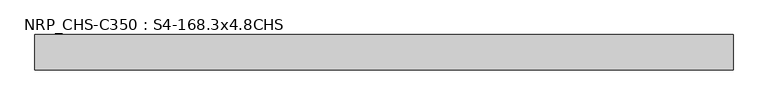
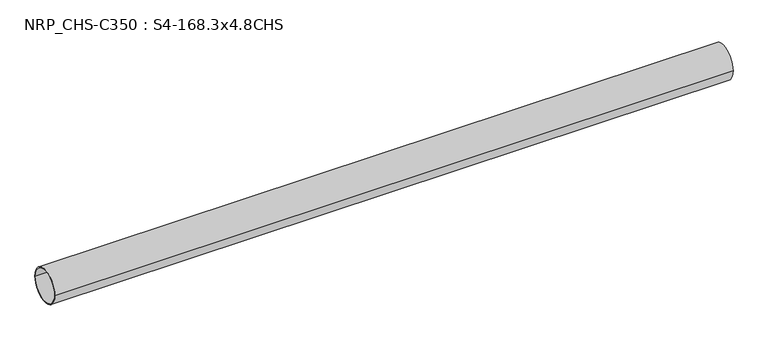
"""IFC4 building model written with IfcOpenShell, lengths in millimetres: beam geometry, NRP_CHS-C350 : S4-168.3x4.8CHS."""

import ifcopenshell
import ifcopenshell.guid

model = None  # the IFC model being written
_history = None  # IfcOwnerHistory: only IFC2X3 demands one
_inside = {}  # id of a spatial element -> (the spatial element, [elements in it])
_under = {}  # id of a project, library or spatial element -> (it, [spatial elements below it])
_declared = {}  # id of a project -> (the project, [libraries it declares])
_typed = {}  # id of a type object -> (the type object, [elements of that type])
_made_of = {}  # id of a material, layer set ... -> (it, [elements and type objects made of it])


def new_model(schema):
    """Start an empty IFC model of exactly this schema.

    Asked for "IFC4X3", IfcOpenShell would pick the latest addendum, in which some entities
    have other attributes; the version numbers below select the first issue.
    IFC2X3 requires an IfcOwnerHistory on every rooted entity: one is made here for all.
    """
    global model, _history
    if schema == "IFC4X3":
        model = ifcopenshell.file(schema_version=(4, 3, 0, 0))
    else:
        model = ifcopenshell.file(schema=schema)
    _inside.clear()
    _under.clear()
    _declared.clear()
    _typed.clear()
    _made_of.clear()
    _history = None
    if model.schema == "IFC2X3":
        org = make("IfcOrganization", Name="unknown")
        user = make(
            "IfcPersonAndOrganization",
            ThePerson=make("IfcPerson", FamilyName="unknown"),
            TheOrganization=org,
        )
        app = make(
            "IfcApplication",
            ApplicationDeveloper=org,
            Version="unknown",
            ApplicationFullName="unknown",
            ApplicationIdentifier="unknown",
        )
        _history = make(
            "IfcOwnerHistory",
            OwningUser=user,
            OwningApplication=app,
            ChangeAction="ADDED",
            CreationDate=0,
        )
    return model


def make(cls, **values):
    """One entity of the class cls with the attributes given. An attribute that is None is left unset."""
    return model.create_entity(
        cls, **{name: value for name, value in values.items() if value is not None}
    )


def rooted(cls, **values):
    """An entity with a GlobalId (a new one), such as an element, a storey or a relation."""
    return make(cls, GlobalId=ifcopenshell.guid.new(), OwnerHistory=_history, **values)


def si_unit(unit_type, name, prefix=None):
    """IfcSIUnit, for example si_unit("LENGTHUNIT", "METRE", prefix="MILLI")."""
    return make("IfcSIUnit", UnitType=unit_type, Prefix=prefix, Name=name)


def assignment(units):
    """IfcUnitAssignment: the units of a project."""
    return None if units is None else make("IfcUnitAssignment", Units=units)


def point(xyz):
    """IfcCartesianPoint."""
    return None if xyz is None else make("IfcCartesianPoint", Coordinates=xyz)


def direction(xyz):
    """IfcDirection."""
    return None if xyz is None else make("IfcDirection", DirectionRatios=xyz)


def frame(location, z_axis=None, x_axis=None):
    """IfcAxis2Placement3D, a coordinate frame: its origin and axes. An axis left out is left unset."""
    return make(
        "IfcAxis2Placement3D",
        Location=point(location),
        Axis=direction(z_axis),
        RefDirection=direction(x_axis),
    )


def frame_2d(location, x_axis=None):
    """IfcAxis2Placement2D, a coordinate frame in the plane: its origin and x axis."""
    return make(
        "IfcAxis2Placement2D", Location=point(location), RefDirection=direction(x_axis)
    )


def origin():
    """The frame at (0, 0, 0) with its axes left unset."""
    return frame((0.0, 0.0, 0.0))


def origin_2d():
    """The frame at (0, 0) in the plane with its x axis left unset."""
    return frame_2d((0.0, 0.0))


def place(relative_to, where):
    """IfcLocalPlacement: puts the frame where relative to a parent placement (None: the world)."""
    return make(
        "IfcLocalPlacement", PlacementRelTo=relative_to, RelativePlacement=where
    )


def context(
    kind, dimensions, precision=None, world=None, true_north=None, identifier=None
):
    """IfcGeometricRepresentationContext, for example the 3D "Model" context."""
    return make(
        "IfcGeometricRepresentationContext",
        ContextIdentifier=identifier,
        ContextType=kind,
        CoordinateSpaceDimension=dimensions,
        Precision=precision,
        WorldCoordinateSystem=world,
        TrueNorth=true_north,
    )


def project(units=None, contexts=None):
    """IfcProject with its units and contexts."""
    return rooted(
        "IfcProject",
        Name="project",
        RepresentationContexts=contexts,
        UnitsInContext=assignment(units),
    )


def spatial(cls, under=None, at=None, **own):
    """A site, building, storey or space (cls), placed at a placement, below another one or the project."""
    s = rooted(cls, ObjectPlacement=at, **own)
    if under is not None:
        _under.setdefault(under.id(), (under, []))[1].append(s)
    return s


def circle_curve(where, radius):
    """IfcCircle in the frame where."""
    return make("IfcCircle", Position=where, Radius=radius)


def trimmed(basis, trim1, trim2, sense, master):
    """IfcTrimmedCurve: the piece of a basis curve between two trims."""
    return make(
        "IfcTrimmedCurve",
        BasisCurve=basis,
        Trim1=trim1,
        Trim2=trim2,
        SenseAgreement=sense,
        MasterRepresentation=master,
    )


def segment(curve, same_sense, transition):
    """IfcCompositeCurveSegment."""
    return make(
        "IfcCompositeCurveSegment",
        Transition=transition,
        SameSense=same_sense,
        ParentCurve=curve,
    )


def composite_curve(segments, self_intersect=None):
    """IfcCompositeCurve: segments joined end to end."""
    return make("IfcCompositeCurve", Segments=segments, SelfIntersect=self_intersect)


def outline(outer, holes=None, kind="AREA"):
    """IfcArbitraryClosedProfileDef: a profile drawn as a closed curve; with holes, ...WithVoids."""
    if holes is None:
        return make("IfcArbitraryClosedProfileDef", ProfileType=kind, OuterCurve=outer)
    return make(
        "IfcArbitraryProfileDefWithVoids",
        ProfileType=kind,
        OuterCurve=outer,
        InnerCurves=holes,
    )


def extrude(swept, where, along, depth):
    """IfcExtrudedAreaSolid: the profile swept, set in the frame where, extruded along a direction by depth."""
    return make(
        "IfcExtrudedAreaSolid",
        SweptArea=swept,
        Position=where,
        ExtrudedDirection=direction(along),
        Depth=depth,
    )


def shape(context_of_items, identifier, shape_type, items):
    """IfcShapeRepresentation: the items that make up one representation, for example the "Body"."""
    return make(
        "IfcShapeRepresentation",
        ContextOfItems=context_of_items,
        RepresentationIdentifier=identifier,
        RepresentationType=shape_type,
        Items=items,
    )


def source(mapping_origin, context_of_items, identifier, shape_type, items):
    """IfcRepresentationMap: a shape defined once, which mapped items show again and again."""
    return make(
        "IfcRepresentationMap",
        MappingOrigin=mapping_origin,
        MappedRepresentation=shape(context_of_items, identifier, shape_type, items),
    )


def transform(
    local_origin,
    x_axis=None,
    y_axis=None,
    z_axis=None,
    scale=None,
    scale2=None,
    scale3=None,
    uniform=True,
):
    """IfcCartesianTransformationOperator3D, or its non-uniform kind. x_axis, y_axis, z_axis: its Axis1, 2, 3."""
    if uniform:
        return make(
            "IfcCartesianTransformationOperator3D",
            Axis1=direction(x_axis),
            Axis2=direction(y_axis),
            LocalOrigin=point(local_origin),
            Scale=scale,
            Axis3=direction(z_axis),
        )
    return make(
        "IfcCartesianTransformationOperator3DnonUniform",
        Axis1=direction(x_axis),
        Axis2=direction(y_axis),
        LocalOrigin=point(local_origin),
        Scale=scale,
        Axis3=direction(z_axis),
        Scale2=scale2,
        Scale3=scale3,
    )


def mapped(mapping_source, mapping_target):
    """IfcMappedItem: shows the shape of a source again, moved by a transform."""
    return make(
        "IfcMappedItem", MappingSource=mapping_source, MappingTarget=mapping_target
    )


def made_of(thing, what):
    """Note that an element or type object is made of a material, layer set ...; save() writes the relation."""
    if what is not None:
        _made_of.setdefault(what.id(), (what, []))[1].append(thing)
    return thing


def element(
    cls,
    number,
    at=None,
    inside=None,
    cuts=None,
    type_object=None,
    material=None,
    context=None,
    identifier="Body",
    shape_type=None,
    held_by="IfcProductDefinitionShape",
    body=None,
    shapes=None,
    **own,
):
    """One element of the class cls, such as IfcWall. Its Tag is "e" and its number.

    at: its placement. inside: the storey or other place that contains it. cuts: it is an
    opening in that element (IfcRelVoidsElement). A single representation is given by context,
    identifier, shape_type and body (its items); several are given by shapes. held_by: the class
    of the entity that holds the representations. save() writes the other relations.
    """
    e = rooted(cls, Tag="e%d" % number, ObjectPlacement=at, **own)
    if body is not None:
        shapes = [shape(context, identifier, shape_type, body)]
    if shapes is not None:
        e.Representation = make(held_by, Representations=shapes)
    if inside is not None:
        _inside.setdefault(inside.id(), (inside, []))[1].append(e)
    if cuts is not None:
        rooted(
            "IfcRelVoidsElement", RelatingBuildingElement=cuts, RelatedOpeningElement=e
        )
    if type_object is not None:
        _typed.setdefault(type_object.id(), (type_object, []))[1].append(e)
    return made_of(e, material)


def aggregate(whole, parts):
    """IfcRelAggregates: a whole, such as a stair, and the parts it consists of."""
    return rooted("IfcRelAggregates", RelatingObject=whole, RelatedObjects=parts)


def save(model, path):
    """Write the relations noted so far, then the file.

    IfcRelAggregates (storeys below a building ...), IfcRelContainedInSpatialStructure (elements
    in a storey), IfcRelDefinesByType, IfcRelAssociatesMaterial and IfcRelDeclares: one each for
    every whole, place, type object, material and project.
    """
    for whole, parts in _under.values():
        aggregate(whole, parts)
    for where, things in _inside.values():
        rooted(
            "IfcRelContainedInSpatialStructure",
            RelatedElements=things,
            RelatingStructure=where,
        )
    for kind, things in _typed.values():
        rooted("IfcRelDefinesByType", RelatedObjects=things, RelatingType=kind)
    for what, things in _made_of.values():
        rooted("IfcRelAssociatesMaterial", RelatedObjects=things, RelatingMaterial=what)
    for by, libraries in _declared.values():
        rooted("IfcRelDeclares", RelatingContext=by, RelatedDefinitions=libraries)
    model.write(path)


def nrp_chs_c350_s4_168_3x4_8chs_04b216ce(model_context):
    return source(origin(), model_context, "Body", "SweptSolid", [
        extrude(outline(composite_curve([segment(trimmed(circle_curve(origin_2d(), 84.15), [point((-84.15, 0.0))], [point((84.15, 0.0))], False, "CARTESIAN"), True, "CONTINUOUS"), segment(trimmed(circle_curve(origin_2d(), 84.15), [point((84.15, 0.0))], [point((-84.15, 0.0))], False, "CARTESIAN"), True, "CONTINUOUS")], self_intersect=False), holes=[composite_curve([segment(trimmed(circle_curve(origin_2d(), 79.35), [point((79.35, 0.0))], [point((-79.35, 0.0))], True, "CARTESIAN"), True, "CONTINUOUS"), segment(trimmed(circle_curve(origin_2d(), 79.35), [point((-79.35, 0.0))], [point((79.35, 0.0))], True, "CARTESIAN"), True, "CONTINUOUS")], self_intersect=False)]), frame((-1673.6, 0.0, 0.0), z_axis=(1.0, 0.0, 0.0), x_axis=(0.0, 1.0, 0.0)), (0.0, 0.0, 1.0), 3312.5),
    ])


if __name__ == "__main__":
    model = new_model("IFC4")
    model_context = context("Model", 3, world=origin())
    ifc_project = project(units=[si_unit("LENGTHUNIT", "METRE", prefix="MILLI")], contexts=[model_context])
    site = spatial("IfcSite", under=ifc_project)
    building = spatial("IfcBuilding", under=site)
    placement = place(None, origin())
    nrp_chs_c350_s4_168_3x4_8chs_shape = nrp_chs_c350_s4_168_3x4_8chs_04b216ce(model_context)
    element("IfcBeam", 1, ObjectType="NRP_CHS-C350 : S4-168.3x4.8CHS", at=placement, inside=building, context=model_context, shape_type="MappedRepresentation", body=[
        mapped(nrp_chs_c350_s4_168_3x4_8chs_shape, transform((0.0, 0.0, 0.0), x_axis=(1.0, 0.0, 0.0), y_axis=(0.0, 1.0, 0.0), z_axis=(0.0, 0.0, 1.0))),
    ])
    save(model, "model.ifc")
